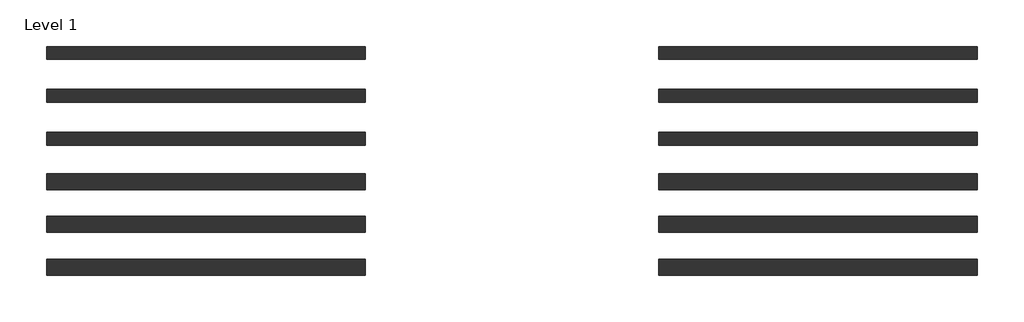
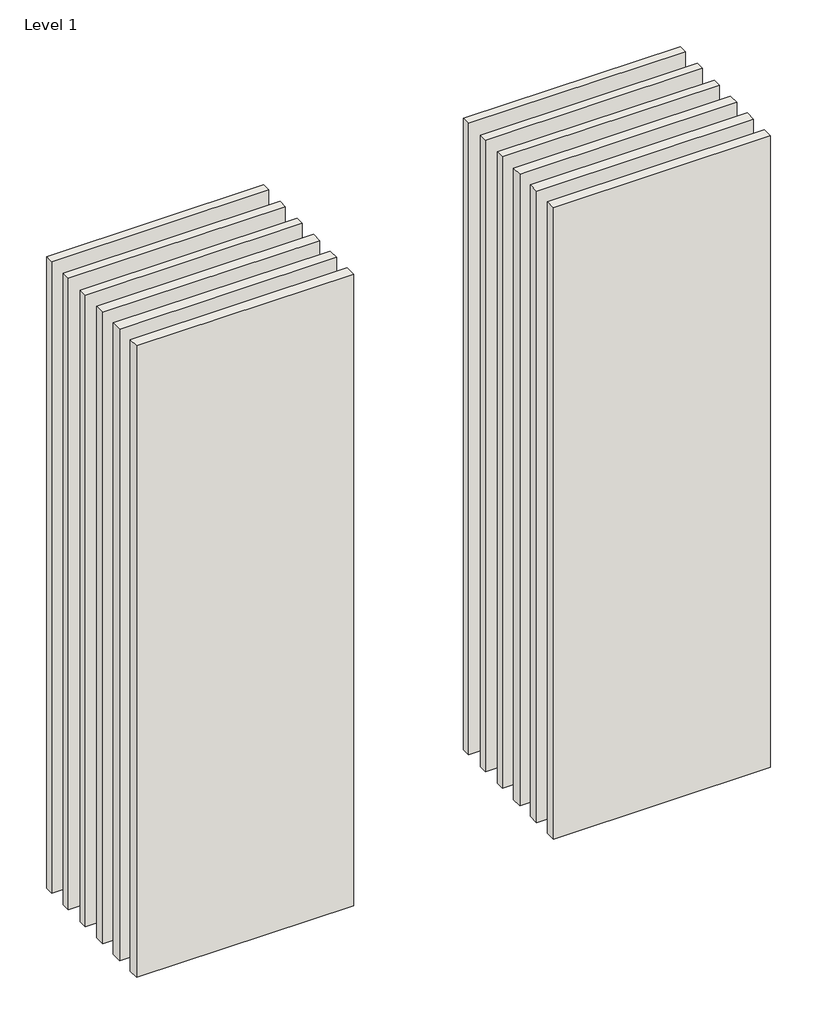
# One storey: 12 walls.
"""IFC4 building model written with IfcOpenShell, lengths in millimetres."""

from ifc_helpers import new_model, si_unit, origin, origin_with_axes, place, context, project, spatial, polyline, outline, extrude, element, save

model = new_model("IFC4")

# Units and contexts
model_context = context("Model", 3, world=origin())
ifc_project = project(units=[si_unit("LENGTHUNIT", "METRE", prefix="MILLI")], contexts=[model_context])

# Site, building, storey
site = spatial("IfcSite", under=ifc_project)
building = spatial("IfcBuilding", under=site)
storey = spatial("IfcBuildingStorey", under=building, Name="Level 1", Elevation=0.0)

# Walls
placement = place(None, origin())
element("IfcWall", 1, at=placement, inside=storey, context=model_context, shape_type="SweptSolid", body=[
    extrude(outline(polyline([(-16904.1464237, 3683.9042935), (-19504.1464237, 3683.9042935), (-19504.1464237, 3788.9042935), (-16904.1464237, 3788.9042935), (-16904.1464237, 3683.9042935)])), origin_with_axes(), (0.0, 0.0, 1.0), 8000.0),
])
element("IfcWall", 2, at=placement, inside=storey, context=model_context, shape_type="SweptSolid", body=[
    extrude(outline(polyline([(-16904.1464237, 3333.9042935), (-19504.1464237, 3333.9042935), (-19504.1464237, 3438.9042935), (-16904.1464237, 3438.9042935), (-16904.1464237, 3333.9042935)])), origin_with_axes(), (0.0, 0.0, 1.0), 8000.0),
])
element("IfcWall", 3, at=placement, inside=storey, context=model_context, shape_type="SweptSolid", body=[
    extrude(outline(polyline([(-16904.1464237, 2983.9042935), (-19504.1464237, 2983.9042935), (-19504.1464237, 3088.9042935), (-16904.1464237, 3088.9042935), (-16904.1464237, 2983.9042935)])), origin_with_axes(), (0.0, 0.0, 1.0), 8000.0),
])
element("IfcWall", 4, at=placement, inside=storey, context=model_context, shape_type="SweptSolid", body=[
    extrude(outline(polyline([(-16904.1464237, 2621.4042935), (-19504.1464237, 2621.4042935), (-19504.1464237, 2751.4042935), (-16904.1464237, 2751.4042935), (-16904.1464237, 2621.4042935)])), origin_with_axes(), (0.0, 0.0, 1.0), 8000.0),
])
element("IfcWall", 5, at=placement, inside=storey, context=model_context, shape_type="SweptSolid", body=[
    extrude(outline(polyline([(-16904.1464237, 2271.4042935), (-19504.1464237, 2271.4042935), (-19504.1464237, 2401.4042935), (-16904.1464237, 2401.4042935), (-16904.1464237, 2271.4042935)])), origin_with_axes(), (0.0, 0.0, 1.0), 8000.0),
])
element("IfcWall", 6, at=placement, inside=storey, context=model_context, shape_type="SweptSolid", body=[
    extrude(outline(polyline([(-16904.1464237, 1921.4042935), (-19504.1464237, 1921.4042935), (-19504.1464237, 2051.4042935), (-16904.1464237, 2051.4042935), (-16904.1464237, 1921.4042935)])), origin_with_axes(), (0.0, 0.0, 1.0), 8000.0),
])
element("IfcWall", 7, at=placement, inside=storey, context=model_context, shape_type="SweptSolid", body=[
    extrude(outline(polyline([(-11904.1464237, 3683.9042935), (-14504.1464237, 3683.9042935), (-14504.1464237, 3788.9042935), (-11904.1464237, 3788.9042935), (-11904.1464237, 3683.9042935)])), origin_with_axes(), (0.0, 0.0, 1.0), 8000.0),
])
element("IfcWall", 8, at=placement, inside=storey, context=model_context, shape_type="SweptSolid", body=[
    extrude(outline(polyline([(-11904.1464237, 3333.9042935), (-14504.1464237, 3333.9042935), (-14504.1464237, 3438.9042935), (-11904.1464237, 3438.9042935), (-11904.1464237, 3333.9042935)])), origin_with_axes(), (0.0, 0.0, 1.0), 8000.0),
])
element("IfcWall", 9, at=placement, inside=storey, context=model_context, shape_type="SweptSolid", body=[
    extrude(outline(polyline([(-11904.1464237, 2983.9042935), (-14504.1464237, 2983.9042935), (-14504.1464237, 3088.9042935), (-11904.1464237, 3088.9042935), (-11904.1464237, 2983.9042935)])), origin_with_axes(), (0.0, 0.0, 1.0), 8000.0),
])
element("IfcWall", 10, at=placement, inside=storey, context=model_context, shape_type="SweptSolid", body=[
    extrude(outline(polyline([(-11904.1464237, 2621.4042935), (-14504.1464237, 2621.4042935), (-14504.1464237, 2751.4042935), (-11904.1464237, 2751.4042935), (-11904.1464237, 2621.4042935)])), origin_with_axes(), (0.0, 0.0, 1.0), 8000.0),
])
element("IfcWall", 11, at=placement, inside=storey, context=model_context, shape_type="SweptSolid", body=[
    extrude(outline(polyline([(-11904.1464237, 2271.4042935), (-14504.1464237, 2271.4042935), (-14504.1464237, 2401.4042935), (-11904.1464237, 2401.4042935), (-11904.1464237, 2271.4042935)])), origin_with_axes(), (0.0, 0.0, 1.0), 8000.0),
])
element("IfcWall", 12, at=placement, inside=storey, context=model_context, shape_type="SweptSolid", body=[
    extrude(outline(polyline([(-11904.1464237, 1921.4042935), (-14504.1464237, 1921.4042935), (-14504.1464237, 2051.4042935), (-11904.1464237, 2051.4042935), (-11904.1464237, 1921.4042935)])), origin_with_axes(), (0.0, 0.0, 1.0), 8000.0),
])

save(model, "model.ifc")
